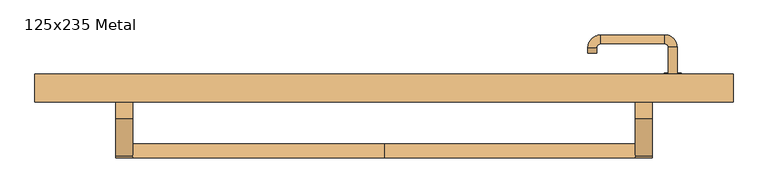
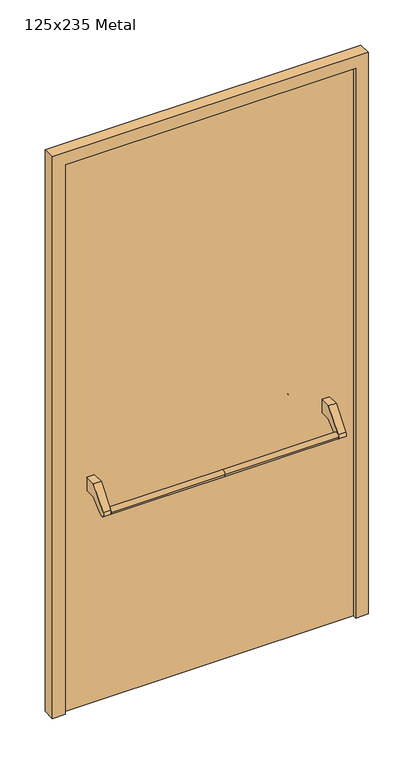
"""IFC4 building model written with IfcOpenShell, lengths in millimetres: door geometry, 125x235 Metal."""

from ifc_helpers import new_model, si_unit, point, frame, frame_2d, origin, origin_with_axes, place, context, project, spatial, polyline, circle_curve, ellipse_curve, trimmed, segment, composite_curve, outline, extrude, source, transform, mapped, element, save
from ifc_brep_helpers import plane_surface, cylinder_surface, revolved_surface, advanced_brep


def door_125x235_metal_387b9d95(model_context):
    return source(origin(), model_context, "Body", "SolidModel", [
        advanced_brep(
        [(-450.0, -25.4171435, 861.5304884), (-450.0, -50.4171435, 861.5304884), (0.0, -25.4171435, 861.5304884), (0.0, -50.4171435, 861.5304884), (450.0, -25.4171435, 861.5304884), (450.0, -50.4171435, 861.5304884)],
        [
            (0, 1, circle_curve(frame((-450.0, -37.9171435, 861.5304884), z_axis=(-1.0, 0.0, 0.0), x_axis=(0.0, -1.0, 0.0)), 12.5)),
            (1, 0, circle_curve(frame((-450.0, -37.9171435, 861.5304884), z_axis=(-1.0, 0.0, 0.0), x_axis=(0.0, -1.0, 0.0)), 12.5)),
            (0, 2),
            (2, 3, circle_curve(frame((0.0, -37.9171435, 861.5304884), z_axis=(-1.0, 0.0, 0.0), x_axis=(0.0, -1.0, 0.0)), 12.5)),
            (3, 1),
            (3, 2, circle_curve(frame((0.0, -37.9171435, 861.5304884), z_axis=(-1.0, 0.0, 0.0), x_axis=(0.0, -1.0, 0.0)), 12.5)),
            (4, 5, circle_curve(frame((450.0, -37.9171435, 861.5304884), z_axis=(1.0, 0.0, 0.0), x_axis=(0.0, -1.0, 0.0)), 12.5)),
            (5, 4, circle_curve(frame((450.0, -37.9171435, 861.5304884), z_axis=(1.0, 0.0, 0.0), x_axis=(0.0, -1.0, 0.0)), 12.5)),
            (5, 3),
            (2, 4),
        ],
        [
            plane_surface(frame((-450.0, -50.4171435, 861.5304884), z_axis=(-1.0, 0.0, 0.0), x_axis=(0.0, 0.0, -1.0))),
            cylinder_surface(frame((-450.0, -37.9171435, 861.5304884), z_axis=(1.0, 0.0, 0.0), x_axis=(0.0, -1.0, 0.0)), 12.5),
            plane_surface(frame((450.0, -50.4171435, 861.5304884), z_axis=(1.0, 0.0, 0.0), x_axis=(0.0, 0.0, 1.0))),
            cylinder_surface(frame((0.0, -37.9171435, 861.5304884), z_axis=(1.0, 0.0, 0.0), x_axis=(0.0, -1.0, 0.0)), 12.5),
        ],
        [
            (0, [[1, 2]]),
            (1, [[3, 4, 5, -1]]),
            (1, [[-5, 6, -3, -2]]),
            (2, [[7, 8]]),
            (3, [[9, -4, 10, -8]]),
            (3, [[-10, -6, -9, -7]]),
        ],
    ),
        extrude(outline(composite_curve([segment(polyline([(20.0, 950.0), (65.0, 950.0), (65.0, 895.2768379), (21.4513009, 895.2768379), (-28.3415879, 853.4956432)]), True, "CONTINUOUS"), segment(trimmed(circle_curve(frame_2d((-37.9171435, 861.5304884)), 12.5), [point((-28.3415879, 853.4956432))], [point((-47.492699, 869.5653335))], False, "CARTESIAN"), True, "CONTINUOUS"), segment(polyline([(-47.492699, 869.5653335), (20.0, 950.0)]), True, "CONTINUOUS")], self_intersect=False)), frame((-480.0, 0.0, 0.0), z_axis=(1.0, 0.0, 0.0), x_axis=(0.0, 1.0, 0.0)), (0.0, 0.0, 1.0), 30.0),
        extrude(outline(composite_curve([segment(polyline([(20.0, 950.0), (65.0, 950.0), (65.0, 895.2768379), (21.4513009, 895.2768379), (-28.3415879, 853.4956432)]), True, "CONTINUOUS"), segment(trimmed(circle_curve(frame_2d((-37.9171435, 861.5304884)), 12.5), [point((-28.3415879, 853.4956432))], [point((-47.492699, 869.5653335))], False, "CARTESIAN"), True, "CONTINUOUS"), segment(polyline([(-47.492699, 869.5653335), (20.0, 950.0)]), True, "CONTINUOUS")], self_intersect=False)), frame((450.0, 0.0, 0.0), z_axis=(1.0, 0.0, 0.0), x_axis=(0.0, 1.0, 0.0)), (0.0, 0.0, 1.0), 30.0),
        extrude(outline(composite_curve([segment(trimmed(circle_curve(frame_2d((0.0, -15.0)), 15.0), [point((0.0, -30.0))], [point((0.0, 0.0))], False, "CARTESIAN"), True, "CONTINUOUS"), segment(trimmed(circle_curve(frame_2d((0.0, -15.0)), 15.0), [point((0.0, 0.0))], [point((0.0, -30.0))], False, "CARTESIAN"), True, "CONTINUOUS")], self_intersect=False), holes=[composite_curve([segment(trimmed(circle_curve(frame_2d((4.7772515, -14.9398032)), 2.0), [point((4.7772515, -16.9398032))], [point((4.7772515, -12.9398032))], True, "CARTESIAN"), True, "CONTINUOUS"), segment(polyline([(4.7772515, -12.9398032), (-5.2227485, -12.9398032)]), True, "CONTINUOUS"), segment(trimmed(circle_curve(frame_2d((-5.2227485, -14.9398032)), 2.0), [point((-5.2227485, -12.9398032))], [point((-5.2227485, -16.9398032))], True, "CARTESIAN"), True, "CONTINUOUS"), segment(polyline([(-5.2227485, -16.9398032), (4.7772515, -16.9398032)]), True, "CONTINUOUS")], self_intersect=False)]), frame((502.0, 95.0, 897.3605726), z_axis=(1.8870575173328306e-12, 1.0, 0.0), x_axis=(0.0, 0.0, -1.0)), (0.0, 0.0, 1.0), 6.35),
        extrude(outline(composite_curve([segment(trimmed(circle_curve(frame_2d((0.0, -17.526)), 17.526), [point((0.0, -35.052))], [point((0.0, 0.0))], False, "CARTESIAN"), True, "CONTINUOUS"), segment(trimmed(circle_curve(frame_2d((0.0, -17.526)), 17.526), [point((0.0, 0.0))], [point((0.0, -35.052))], False, "CARTESIAN"), True, "CONTINUOUS")], self_intersect=False)), frame((499.474, 95.0, 950.0), z_axis=(1.8870575173328306e-12, 1.0, 0.0), x_axis=(0.0, 0.0, -1.0)), (0.0, 0.0, 1.0), 3.175),
        advanced_brep(
        [(525.0, 95.0, 950.0), (509.0, 95.0, 950.0), (525.0, 148.0, 950.0), (509.0, 148.0, 950.0), (502.8578644, 154.1421356, 950.0), (502.8578644, 170.1421356, 950.0), (387.8578644, 170.1421356, 950.0), (387.8578644, 154.1421356, 950.0), (381.008622, 147.2928932, 950.0), (365.008622, 147.2928932, 950.0), (365.008622, 137.2928932, 950.0), (381.008622, 137.2928932, 950.0)],
        [
            (0, 1, circle_curve(frame((517.0, 95.0, 950.0), z_axis=(-1.888672253512351e-12, -1.0, 0.0), x_axis=(-1.0, 1.888672253512351e-12, 0.0)), 8.0)),
            (1, 0, circle_curve(frame((517.0, 95.0, 950.0), z_axis=(-1.888672253512351e-12, -1.0, 0.0), x_axis=(-1.0, 1.888672253512351e-12, 0.0)), 8.0)),
            (0, 2),
            (2, 3, circle_curve(frame((517.0, 148.0, 950.0), z_axis=(-1.888672253512351e-12, -1.0, 0.0), x_axis=(-1.0, 1.888672253512351e-12, 0.0)), 8.0)),
            (3, 1),
            (3, 2, circle_curve(frame((517.0, 148.0, 950.0), z_axis=(-1.888672253512351e-12, -1.0, 0.0), x_axis=(-1.0, 1.888672253512351e-12, 0.0)), 8.0)),
            (4, 3, circle_curve(frame((502.8578644, 148.0, 950.0), z_axis=(0.0, 0.0, -1.0), x_axis=(1.0, -1.880717803715015e-12, 0.0)), 6.1421356)),
            (2, 5, circle_curve(frame((502.8578644, 148.0, 950.0), z_axis=(0.0, 0.0, 1.0), x_axis=(1.0, -1.880717803715015e-12, 0.0)), 22.1421356)),
            (5, 4, circle_curve(frame((502.8578644, 162.1421356, 950.0), z_axis=(1.0, -1.913702061528922e-12, 0.0), x_axis=(-1.913702061528922e-12, -1.0, 0.0)), 8.0)),
            (4, 5, circle_curve(frame((502.8578644, 162.1421356, 950.0), z_axis=(1.0, -1.913702061528922e-12, 0.0), x_axis=(-1.913702061528922e-12, -1.0, 0.0)), 8.0)),
            (5, 6),
            (6, 7, circle_curve(frame((387.8578644, 162.1421356, 950.0), z_axis=(1.0, -1.913719828541269e-12, 0.0), x_axis=(-1.913719828541269e-12, -1.0, 0.0)), 8.0)),
            (7, 4),
            (7, 6, circle_curve(frame((387.8578644, 162.1421356, 950.0), z_axis=(1.0, -1.913719828541269e-12, 0.0), x_axis=(-1.913719828541269e-12, -1.0, 0.0)), 8.0)),
            (8, 7, circle_curve(frame((387.8578644, 147.2928932, 950.0), z_axis=(0.0, 0.0, -1.0), x_axis=(1.9120873253494017e-12, 1.0, 0.0)), 6.8492424)),
            (6, 9, circle_curve(frame((387.8578644, 147.2928932, 950.0), z_axis=(0.0, 0.0, 1.0), x_axis=(1.9120873253494017e-12, 1.0, 0.0)), 22.8492424)),
            (9, 8, circle_curve(frame((373.008622, 147.2928932, 950.0), z_axis=(1.890670654956676e-12, 1.0, 0.0), x_axis=(1.0, -1.890670654956676e-12, 0.0)), 8.0)),
            (8, 9, circle_curve(frame((373.008622, 147.2928932, 950.0), z_axis=(1.890226565746826e-12, 1.0, 0.0), x_axis=(1.0, -1.890226565746826e-12, 0.0)), 8.0)),
            (10, 11, circle_curve(frame((373.008622, 137.2928932, 950.0), z_axis=(-1.8903642334018795e-12, -1.0, 0.0), x_axis=(1.0, -1.8903642334018795e-12, 0.0)), 8.0)),
            (11, 10, circle_curve(frame((373.008622, 137.2928932, 950.0), z_axis=(-1.8903642334018795e-12, -1.0, 0.0), x_axis=(1.0, -1.8903642334018795e-12, 0.0)), 8.0)),
            (9, 10),
            (11, 8),
        ],
        [
            plane_surface(frame((517.0, 95.0, 170.0), z_axis=(-1.8870575173328306e-12, -1.0, 0.0), x_axis=(0.0, 0.0, 1.0))),
            cylinder_surface(frame((517.0, 95.0, 950.0), z_axis=(-1.888672253512351e-12, -1.0, 0.0), x_axis=(-1.0, 1.888672253512351e-12, 0.0)), 8.0),
            revolved_surface(trimmed(ellipse_curve(frame((517.0, 148.0, 950.0), z_axis=(-1.8823325398945356e-12, -1.0, 0.0), x_axis=(-1.0, 1.8823325398945356e-12, 0.0)), 8.0, 8.0), [point((525.0, 148.0, 950.0))], [point((509.0, 148.0, 950.0))], True, "CARTESIAN"), (502.8578644, 148.0, 170.0), (0.0, 0.0, 1.0)),
            revolved_surface(trimmed(ellipse_curve(frame((517.0, 148.0, 950.0), z_axis=(-1.8823325398945356e-12, -1.0, 0.0), x_axis=(-1.0, 1.8823325398945356e-12, 0.0)), 8.0, 8.0), [point((509.0, 148.0, 950.0))], [point((525.0, 148.0, 950.0))], True, "CARTESIAN"), (502.8578644, 148.0, 170.0), (0.0, 0.0, 1.0)),
            cylinder_surface(frame((502.8578644, 162.1421356, 950.0), z_axis=(1.0, -1.913719828541269e-12, 0.0), x_axis=(-1.913719828541269e-12, -1.0, 0.0)), 8.0),
            revolved_surface(trimmed(ellipse_curve(frame((387.8578644, 162.1421356, 950.0), z_axis=(1.0, -1.913702061528922e-12, 0.0), x_axis=(-1.913702061528922e-12, -1.0, 0.0)), 8.0, 8.0), [point((387.8578644, 170.1421356, 950.0))], [point((387.8578644, 154.1421356, 950.0))], True, "CARTESIAN"), (387.8578644, 147.2928932, 170.0), (0.0, 0.0, 1.0)),
            revolved_surface(trimmed(ellipse_curve(frame((387.8578644, 162.1421356, 950.0), z_axis=(1.0, -1.913702061528922e-12, 0.0), x_axis=(-1.913702061528922e-12, -1.0, 0.0)), 8.0, 8.0), [point((387.8578644, 154.1421356, 950.0))], [point((387.8578644, 170.1421356, 950.0))], True, "CARTESIAN"), (387.8578644, 147.2928932, 170.0), (0.0, 0.0, 1.0)),
            plane_surface(frame((373.008622, 137.2928932, 170.0), z_axis=(-1.8887494972223595e-12, -1.0, 0.0), x_axis=(0.0, 0.0, 1.0))),
            cylinder_surface(frame((373.008622, 147.2928932, 950.0), z_axis=(1.8903642334018795e-12, 1.0, 0.0), x_axis=(1.0, -1.8903642334018795e-12, 0.0)), 8.0),
        ],
        [
            (0, [[1, 2]]),
            (1, [[-1, 3, 4, 5]]),
            (1, [[-2, -5, 6, -3]]),
            (2, [[7, -4, 8, 9]]),
            (3, [[-8, -6, -7, 10]]),
            (4, [[-9, 11, 12, 13]]),
            (4, [[-10, -13, 14, -11]]),
            (5, [[15, -12, 16, 17]]),
            (6, [[-16, -14, -15, 18]]),
            (7, [[19, 20]]),
            (8, [[-17, 21, -20, 22]]),
            (8, [[-18, -22, -19, -21]]),
        ],
    ),
        extrude(outline(polyline([(2300.0, 575.0), (0.0, 575.0), (0.0, 625.0), (2350.0, 625.0), (2350.0, -625.0), (0.0, -625.0), (0.0, -575.0), (2300.0, -575.0), (2300.0, 575.0)])), frame((0.0, 50.0, 0.0), z_axis=(0.0, 1.0, 0.0), x_axis=(0.0, 0.0, 1.0)), (0.0, 0.0, 1.0), 50.0),
        extrude(outline(polyline([(-575.0, 95.0), (575.0, 95.0), (575.0, 65.0), (-575.0, 65.0), (-575.0, 95.0)])), origin_with_axes(), (0.0, 0.0, 1.0), 2300.0),
    ])


if __name__ == "__main__":
    model = new_model("IFC4")
    model_context = context("Model", 3, world=origin())
    ifc_project = project(units=[si_unit("LENGTHUNIT", "METRE", prefix="MILLI")], contexts=[model_context])
    site = spatial("IfcSite", under=ifc_project)
    building = spatial("IfcBuilding", under=site)
    placement = place(None, origin())
    door_125x235_metal_shape = door_125x235_metal_387b9d95(model_context)
    element("IfcDoor", 1, ObjectType="125x235 Metal", at=placement, inside=building, context=model_context, shape_type="MappedRepresentation", body=[
        mapped(door_125x235_metal_shape, transform((0.0, 0.0, 0.0), x_axis=(1.0, 0.0, 0.0), y_axis=(0.0, 1.0, 0.0), z_axis=(0.0, 0.0, 1.0))),
    ])
    save(model, "model.ifc")
